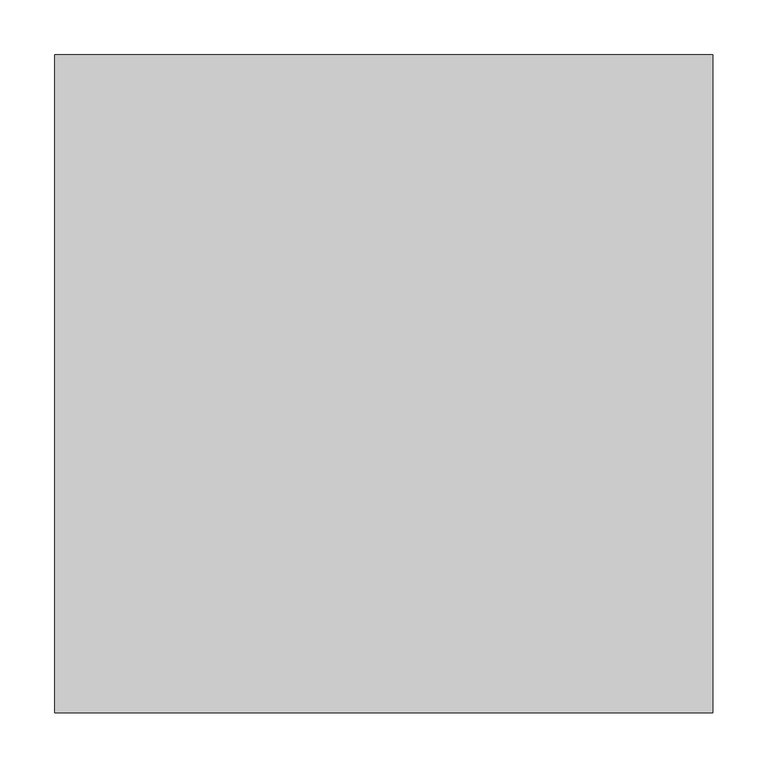
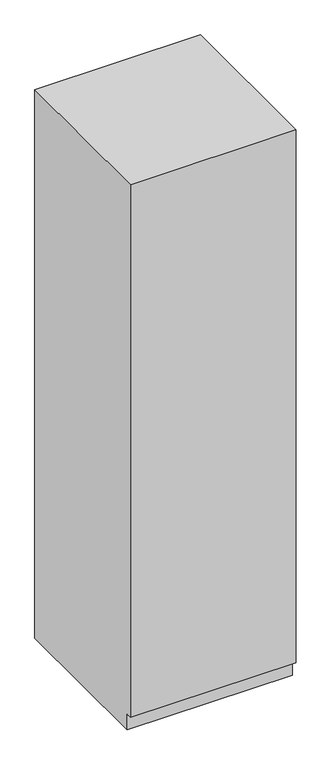
"""IFC4 building model written with IfcOpenShell, lengths in millimetres: proxy geometry."""

import ifcopenshell
import ifcopenshell.guid

model = None  # the IFC model being written
_history = None  # IfcOwnerHistory: only IFC2X3 demands one
_inside = {}  # id of a spatial element -> (the spatial element, [elements in it])
_under = {}  # id of a project, library or spatial element -> (it, [spatial elements below it])
_declared = {}  # id of a project -> (the project, [libraries it declares])
_typed = {}  # id of a type object -> (the type object, [elements of that type])
_made_of = {}  # id of a material, layer set ... -> (it, [elements and type objects made of it])


def new_model(schema):
    """Start an empty IFC model of exactly this schema.

    Asked for "IFC4X3", IfcOpenShell would pick the latest addendum, in which some entities
    have other attributes; the version numbers below select the first issue.
    IFC2X3 requires an IfcOwnerHistory on every rooted entity: one is made here for all.
    """
    global model, _history
    if schema == "IFC4X3":
        model = ifcopenshell.file(schema_version=(4, 3, 0, 0))
    else:
        model = ifcopenshell.file(schema=schema)
    _inside.clear()
    _under.clear()
    _declared.clear()
    _typed.clear()
    _made_of.clear()
    _history = None
    if model.schema == "IFC2X3":
        org = make("IfcOrganization", Name="unknown")
        user = make(
            "IfcPersonAndOrganization",
            ThePerson=make("IfcPerson", FamilyName="unknown"),
            TheOrganization=org,
        )
        app = make(
            "IfcApplication",
            ApplicationDeveloper=org,
            Version="unknown",
            ApplicationFullName="unknown",
            ApplicationIdentifier="unknown",
        )
        _history = make(
            "IfcOwnerHistory",
            OwningUser=user,
            OwningApplication=app,
            ChangeAction="ADDED",
            CreationDate=0,
        )
    return model


def make(cls, **values):
    """One entity of the class cls with the attributes given. An attribute that is None is left unset."""
    return model.create_entity(
        cls, **{name: value for name, value in values.items() if value is not None}
    )


def rooted(cls, **values):
    """An entity with a GlobalId (a new one), such as an element, a storey or a relation."""
    return make(cls, GlobalId=ifcopenshell.guid.new(), OwnerHistory=_history, **values)


def si_unit(unit_type, name, prefix=None):
    """IfcSIUnit, for example si_unit("LENGTHUNIT", "METRE", prefix="MILLI")."""
    return make("IfcSIUnit", UnitType=unit_type, Prefix=prefix, Name=name)


def assignment(units):
    """IfcUnitAssignment: the units of a project."""
    return None if units is None else make("IfcUnitAssignment", Units=units)


def point(xyz):
    """IfcCartesianPoint."""
    return None if xyz is None else make("IfcCartesianPoint", Coordinates=xyz)


def direction(xyz):
    """IfcDirection."""
    return None if xyz is None else make("IfcDirection", DirectionRatios=xyz)


def frame(location, z_axis=None, x_axis=None):
    """IfcAxis2Placement3D, a coordinate frame: its origin and axes. An axis left out is left unset."""
    return make(
        "IfcAxis2Placement3D",
        Location=point(location),
        Axis=direction(z_axis),
        RefDirection=direction(x_axis),
    )


def origin():
    """The frame at (0, 0, 0) with its axes left unset."""
    return frame((0.0, 0.0, 0.0))


def place(relative_to, where):
    """IfcLocalPlacement: puts the frame where relative to a parent placement (None: the world)."""
    return make(
        "IfcLocalPlacement", PlacementRelTo=relative_to, RelativePlacement=where
    )


def context(
    kind, dimensions, precision=None, world=None, true_north=None, identifier=None
):
    """IfcGeometricRepresentationContext, for example the 3D "Model" context."""
    return make(
        "IfcGeometricRepresentationContext",
        ContextIdentifier=identifier,
        ContextType=kind,
        CoordinateSpaceDimension=dimensions,
        Precision=precision,
        WorldCoordinateSystem=world,
        TrueNorth=true_north,
    )


def project(units=None, contexts=None):
    """IfcProject with its units and contexts."""
    return rooted(
        "IfcProject",
        Name="project",
        RepresentationContexts=contexts,
        UnitsInContext=assignment(units),
    )


def spatial(cls, under=None, at=None, **own):
    """A site, building, storey or space (cls), placed at a placement, below another one or the project."""
    s = rooted(cls, ObjectPlacement=at, **own)
    if under is not None:
        _under.setdefault(under.id(), (under, []))[1].append(s)
    return s


def polyline(points):
    """IfcPolyline through the points."""
    return make("IfcPolyline", Points=[point(p) for p in points])


def outline(outer, holes=None, kind="AREA"):
    """IfcArbitraryClosedProfileDef: a profile drawn as a closed curve; with holes, ...WithVoids."""
    if holes is None:
        return make("IfcArbitraryClosedProfileDef", ProfileType=kind, OuterCurve=outer)
    return make(
        "IfcArbitraryProfileDefWithVoids",
        ProfileType=kind,
        OuterCurve=outer,
        InnerCurves=holes,
    )


def extrude(swept, where, along, depth):
    """IfcExtrudedAreaSolid: the profile swept, set in the frame where, extruded along a direction by depth."""
    return make(
        "IfcExtrudedAreaSolid",
        SweptArea=swept,
        Position=where,
        ExtrudedDirection=direction(along),
        Depth=depth,
    )


def shape(context_of_items, identifier, shape_type, items):
    """IfcShapeRepresentation: the items that make up one representation, for example the "Body"."""
    return make(
        "IfcShapeRepresentation",
        ContextOfItems=context_of_items,
        RepresentationIdentifier=identifier,
        RepresentationType=shape_type,
        Items=items,
    )


def source(mapping_origin, context_of_items, identifier, shape_type, items):
    """IfcRepresentationMap: a shape defined once, which mapped items show again and again."""
    return make(
        "IfcRepresentationMap",
        MappingOrigin=mapping_origin,
        MappedRepresentation=shape(context_of_items, identifier, shape_type, items),
    )


def transform(
    local_origin,
    x_axis=None,
    y_axis=None,
    z_axis=None,
    scale=None,
    scale2=None,
    scale3=None,
    uniform=True,
):
    """IfcCartesianTransformationOperator3D, or its non-uniform kind. x_axis, y_axis, z_axis: its Axis1, 2, 3."""
    if uniform:
        return make(
            "IfcCartesianTransformationOperator3D",
            Axis1=direction(x_axis),
            Axis2=direction(y_axis),
            LocalOrigin=point(local_origin),
            Scale=scale,
            Axis3=direction(z_axis),
        )
    return make(
        "IfcCartesianTransformationOperator3DnonUniform",
        Axis1=direction(x_axis),
        Axis2=direction(y_axis),
        LocalOrigin=point(local_origin),
        Scale=scale,
        Axis3=direction(z_axis),
        Scale2=scale2,
        Scale3=scale3,
    )


def mapped(mapping_source, mapping_target):
    """IfcMappedItem: shows the shape of a source again, moved by a transform."""
    return make(
        "IfcMappedItem", MappingSource=mapping_source, MappingTarget=mapping_target
    )


def made_of(thing, what):
    """Note that an element or type object is made of a material, layer set ...; save() writes the relation."""
    if what is not None:
        _made_of.setdefault(what.id(), (what, []))[1].append(thing)
    return thing


def element(
    cls,
    number,
    at=None,
    inside=None,
    cuts=None,
    type_object=None,
    material=None,
    context=None,
    identifier="Body",
    shape_type=None,
    held_by="IfcProductDefinitionShape",
    body=None,
    shapes=None,
    **own,
):
    """One element of the class cls, such as IfcWall. Its Tag is "e" and its number.

    at: its placement. inside: the storey or other place that contains it. cuts: it is an
    opening in that element (IfcRelVoidsElement). A single representation is given by context,
    identifier, shape_type and body (its items); several are given by shapes. held_by: the class
    of the entity that holds the representations. save() writes the other relations.
    """
    e = rooted(cls, Tag="e%d" % number, ObjectPlacement=at, **own)
    if body is not None:
        shapes = [shape(context, identifier, shape_type, body)]
    if shapes is not None:
        e.Representation = make(held_by, Representations=shapes)
    if inside is not None:
        _inside.setdefault(inside.id(), (inside, []))[1].append(e)
    if cuts is not None:
        rooted(
            "IfcRelVoidsElement", RelatingBuildingElement=cuts, RelatedOpeningElement=e
        )
    if type_object is not None:
        _typed.setdefault(type_object.id(), (type_object, []))[1].append(e)
    return made_of(e, material)


def aggregate(whole, parts):
    """IfcRelAggregates: a whole, such as a stair, and the parts it consists of."""
    return rooted("IfcRelAggregates", RelatingObject=whole, RelatedObjects=parts)


def save(model, path):
    """Write the relations noted so far, then the file.

    IfcRelAggregates (storeys below a building ...), IfcRelContainedInSpatialStructure (elements
    in a storey), IfcRelDefinesByType, IfcRelAssociatesMaterial and IfcRelDeclares: one each for
    every whole, place, type object, material and project.
    """
    for whole, parts in _under.values():
        aggregate(whole, parts)
    for where, things in _inside.values():
        rooted(
            "IfcRelContainedInSpatialStructure",
            RelatedElements=things,
            RelatingStructure=where,
        )
    for kind, things in _typed.values():
        rooted("IfcRelDefinesByType", RelatedObjects=things, RelatingType=kind)
    for what, things in _made_of.values():
        rooted("IfcRelAssociatesMaterial", RelatedObjects=things, RelatingMaterial=what)
    for by, libraries in _declared.values():
        rooted("IfcRelDeclares", RelatingContext=by, RelatedDefinitions=libraries)
    model.write(path)


def specialty_equipment_cab44624(model_context):
    return source(origin(), model_context, "Body", "SweptSolid", [
        extrude(outline(polyline([(-600.0, 2100.0), (0.0, 2100.0), (0.0, 0.0), (-580.0, 0.0), (-580.0, 60.0), (-600.0, 60.0), (-600.0, 2100.0)])), frame((-300.0, 0.0, 0.0), z_axis=(1.0, 0.0, 0.0), x_axis=(0.0, 1.0, 0.0)), (0.0, 0.0, 1.0), 600.0),
    ])


if __name__ == "__main__":
    model = new_model("IFC4")
    model_context = context("Model", 3, world=origin())
    ifc_project = project(units=[si_unit("LENGTHUNIT", "METRE", prefix="MILLI")], contexts=[model_context])
    site = spatial("IfcSite", under=ifc_project)
    building = spatial("IfcBuilding", under=site)
    placement = place(None, origin())
    specialty_equipment_shape = specialty_equipment_cab44624(model_context)
    element("IfcBuildingElementProxy", 1, Name="Specialty Equipment", at=placement, inside=building, context=model_context, shape_type="MappedRepresentation", body=[
        mapped(specialty_equipment_shape, transform((0.0, 0.0, 0.0), x_axis=(1.0, 0.0, 0.0), y_axis=(0.0, 1.0, 0.0), z_axis=(0.0, 0.0, 1.0))),
    ])
    save(model, "model.ifc")
